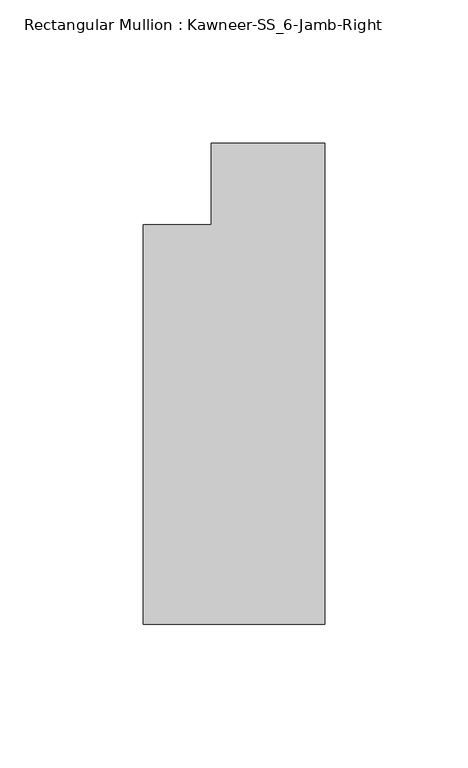
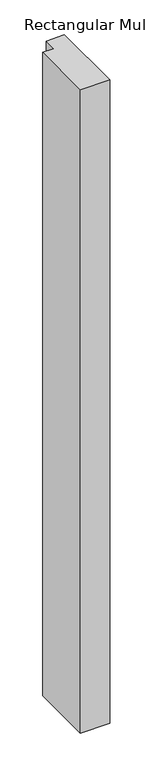
"""IFC4 building model written with IfcOpenShell, lengths in millimetres: member geometry, Rectangular Mullion : Kawneer-SS_6-Jamb-Right."""

import ifcopenshell
import ifcopenshell.guid

model = None  # the IFC model being written
_history = None  # IfcOwnerHistory: only IFC2X3 demands one
_inside = {}  # id of a spatial element -> (the spatial element, [elements in it])
_under = {}  # id of a project, library or spatial element -> (it, [spatial elements below it])
_declared = {}  # id of a project -> (the project, [libraries it declares])
_typed = {}  # id of a type object -> (the type object, [elements of that type])
_made_of = {}  # id of a material, layer set ... -> (it, [elements and type objects made of it])


def new_model(schema):
    """Start an empty IFC model of exactly this schema.

    Asked for "IFC4X3", IfcOpenShell would pick the latest addendum, in which some entities
    have other attributes; the version numbers below select the first issue.
    IFC2X3 requires an IfcOwnerHistory on every rooted entity: one is made here for all.
    """
    global model, _history
    if schema == "IFC4X3":
        model = ifcopenshell.file(schema_version=(4, 3, 0, 0))
    else:
        model = ifcopenshell.file(schema=schema)
    _inside.clear()
    _under.clear()
    _declared.clear()
    _typed.clear()
    _made_of.clear()
    _history = None
    if model.schema == "IFC2X3":
        org = make("IfcOrganization", Name="unknown")
        user = make(
            "IfcPersonAndOrganization",
            ThePerson=make("IfcPerson", FamilyName="unknown"),
            TheOrganization=org,
        )
        app = make(
            "IfcApplication",
            ApplicationDeveloper=org,
            Version="unknown",
            ApplicationFullName="unknown",
            ApplicationIdentifier="unknown",
        )
        _history = make(
            "IfcOwnerHistory",
            OwningUser=user,
            OwningApplication=app,
            ChangeAction="ADDED",
            CreationDate=0,
        )
    return model


def make(cls, **values):
    """One entity of the class cls with the attributes given. An attribute that is None is left unset."""
    return model.create_entity(
        cls, **{name: value for name, value in values.items() if value is not None}
    )


def rooted(cls, **values):
    """An entity with a GlobalId (a new one), such as an element, a storey or a relation."""
    return make(cls, GlobalId=ifcopenshell.guid.new(), OwnerHistory=_history, **values)


def si_unit(unit_type, name, prefix=None):
    """IfcSIUnit, for example si_unit("LENGTHUNIT", "METRE", prefix="MILLI")."""
    return make("IfcSIUnit", UnitType=unit_type, Prefix=prefix, Name=name)


def assignment(units):
    """IfcUnitAssignment: the units of a project."""
    return None if units is None else make("IfcUnitAssignment", Units=units)


def point(xyz):
    """IfcCartesianPoint."""
    return None if xyz is None else make("IfcCartesianPoint", Coordinates=xyz)


def direction(xyz):
    """IfcDirection."""
    return None if xyz is None else make("IfcDirection", DirectionRatios=xyz)


def frame(location, z_axis=None, x_axis=None):
    """IfcAxis2Placement3D, a coordinate frame: its origin and axes. An axis left out is left unset."""
    return make(
        "IfcAxis2Placement3D",
        Location=point(location),
        Axis=direction(z_axis),
        RefDirection=direction(x_axis),
    )


def origin():
    """The frame at (0, 0, 0) with its axes left unset."""
    return frame((0.0, 0.0, 0.0))


def place(relative_to, where):
    """IfcLocalPlacement: puts the frame where relative to a parent placement (None: the world)."""
    return make(
        "IfcLocalPlacement", PlacementRelTo=relative_to, RelativePlacement=where
    )


def context(
    kind, dimensions, precision=None, world=None, true_north=None, identifier=None
):
    """IfcGeometricRepresentationContext, for example the 3D "Model" context."""
    return make(
        "IfcGeometricRepresentationContext",
        ContextIdentifier=identifier,
        ContextType=kind,
        CoordinateSpaceDimension=dimensions,
        Precision=precision,
        WorldCoordinateSystem=world,
        TrueNorth=true_north,
    )


def project(units=None, contexts=None):
    """IfcProject with its units and contexts."""
    return rooted(
        "IfcProject",
        Name="project",
        RepresentationContexts=contexts,
        UnitsInContext=assignment(units),
    )


def spatial(cls, under=None, at=None, **own):
    """A site, building, storey or space (cls), placed at a placement, below another one or the project."""
    s = rooted(cls, ObjectPlacement=at, **own)
    if under is not None:
        _under.setdefault(under.id(), (under, []))[1].append(s)
    return s


def polyline(points):
    """IfcPolyline through the points."""
    return make("IfcPolyline", Points=[point(p) for p in points])


def outline(outer, holes=None, kind="AREA"):
    """IfcArbitraryClosedProfileDef: a profile drawn as a closed curve; with holes, ...WithVoids."""
    if holes is None:
        return make("IfcArbitraryClosedProfileDef", ProfileType=kind, OuterCurve=outer)
    return make(
        "IfcArbitraryProfileDefWithVoids",
        ProfileType=kind,
        OuterCurve=outer,
        InnerCurves=holes,
    )


def extrude(swept, where, along, depth):
    """IfcExtrudedAreaSolid: the profile swept, set in the frame where, extruded along a direction by depth."""
    return make(
        "IfcExtrudedAreaSolid",
        SweptArea=swept,
        Position=where,
        ExtrudedDirection=direction(along),
        Depth=depth,
    )


def shape(context_of_items, identifier, shape_type, items):
    """IfcShapeRepresentation: the items that make up one representation, for example the "Body"."""
    return make(
        "IfcShapeRepresentation",
        ContextOfItems=context_of_items,
        RepresentationIdentifier=identifier,
        RepresentationType=shape_type,
        Items=items,
    )


def source(mapping_origin, context_of_items, identifier, shape_type, items):
    """IfcRepresentationMap: a shape defined once, which mapped items show again and again."""
    return make(
        "IfcRepresentationMap",
        MappingOrigin=mapping_origin,
        MappedRepresentation=shape(context_of_items, identifier, shape_type, items),
    )


def transform(
    local_origin,
    x_axis=None,
    y_axis=None,
    z_axis=None,
    scale=None,
    scale2=None,
    scale3=None,
    uniform=True,
):
    """IfcCartesianTransformationOperator3D, or its non-uniform kind. x_axis, y_axis, z_axis: its Axis1, 2, 3."""
    if uniform:
        return make(
            "IfcCartesianTransformationOperator3D",
            Axis1=direction(x_axis),
            Axis2=direction(y_axis),
            LocalOrigin=point(local_origin),
            Scale=scale,
            Axis3=direction(z_axis),
        )
    return make(
        "IfcCartesianTransformationOperator3DnonUniform",
        Axis1=direction(x_axis),
        Axis2=direction(y_axis),
        LocalOrigin=point(local_origin),
        Scale=scale,
        Axis3=direction(z_axis),
        Scale2=scale2,
        Scale3=scale3,
    )


def mapped(mapping_source, mapping_target):
    """IfcMappedItem: shows the shape of a source again, moved by a transform."""
    return make(
        "IfcMappedItem", MappingSource=mapping_source, MappingTarget=mapping_target
    )


def made_of(thing, what):
    """Note that an element or type object is made of a material, layer set ...; save() writes the relation."""
    if what is not None:
        _made_of.setdefault(what.id(), (what, []))[1].append(thing)
    return thing


def element(
    cls,
    number,
    at=None,
    inside=None,
    cuts=None,
    type_object=None,
    material=None,
    context=None,
    identifier="Body",
    shape_type=None,
    held_by="IfcProductDefinitionShape",
    body=None,
    shapes=None,
    **own,
):
    """One element of the class cls, such as IfcWall. Its Tag is "e" and its number.

    at: its placement. inside: the storey or other place that contains it. cuts: it is an
    opening in that element (IfcRelVoidsElement). A single representation is given by context,
    identifier, shape_type and body (its items); several are given by shapes. held_by: the class
    of the entity that holds the representations. save() writes the other relations.
    """
    e = rooted(cls, Tag="e%d" % number, ObjectPlacement=at, **own)
    if body is not None:
        shapes = [shape(context, identifier, shape_type, body)]
    if shapes is not None:
        e.Representation = make(held_by, Representations=shapes)
    if inside is not None:
        _inside.setdefault(inside.id(), (inside, []))[1].append(e)
    if cuts is not None:
        rooted(
            "IfcRelVoidsElement", RelatingBuildingElement=cuts, RelatedOpeningElement=e
        )
    if type_object is not None:
        _typed.setdefault(type_object.id(), (type_object, []))[1].append(e)
    return made_of(e, material)


def aggregate(whole, parts):
    """IfcRelAggregates: a whole, such as a stair, and the parts it consists of."""
    return rooted("IfcRelAggregates", RelatingObject=whole, RelatedObjects=parts)


def save(model, path):
    """Write the relations noted so far, then the file.

    IfcRelAggregates (storeys below a building ...), IfcRelContainedInSpatialStructure (elements
    in a storey), IfcRelDefinesByType, IfcRelAssociatesMaterial and IfcRelDeclares: one each for
    every whole, place, type object, material and project.
    """
    for whole, parts in _under.values():
        aggregate(whole, parts)
    for where, things in _inside.values():
        rooted(
            "IfcRelContainedInSpatialStructure",
            RelatedElements=things,
            RelatingStructure=where,
        )
    for kind, things in _typed.values():
        rooted("IfcRelDefinesByType", RelatedObjects=things, RelatingType=kind)
    for what, things in _made_of.values():
        rooted("IfcRelAssociatesMaterial", RelatedObjects=things, RelatingMaterial=what)
    for by, libraries in _declared.values():
        rooted("IfcRelDeclares", RelatingContext=by, RelatedDefinitions=libraries)
    model.write(path)


def rectangular_mullion_kawneer_ss_6_jamb_right_c3f70d09(model_context):
    return source(origin(), model_context, "Body", "SweptSolid", [
        extrude(outline(polyline([(-63.5, -153.9875), (-63.5, -14.2875), (-39.6875, -14.2875), (-39.6875, 14.2875), (0.0, 14.2875), (0.0, -153.9875), (-63.5, -153.9875)])), frame((0.0, 0.0, -1460.5), z_axis=(0.0, 0.0, 1.0), x_axis=(1.0, 0.0, 0.0)), (0.0, 0.0, 1.0), 1460.5),
    ])


if __name__ == "__main__":
    model = new_model("IFC4")
    model_context = context("Model", 3, world=origin())
    ifc_project = project(units=[si_unit("LENGTHUNIT", "METRE", prefix="MILLI")], contexts=[model_context])
    site = spatial("IfcSite", under=ifc_project)
    building = spatial("IfcBuilding", under=site)
    placement = place(None, origin())
    rectangular_mullion_kawneer_ss_6_jamb_right_shape = rectangular_mullion_kawneer_ss_6_jamb_right_c3f70d09(model_context)
    element("IfcMember", 1, ObjectType="Rectangular Mullion : Kawneer-SS_6-Jamb-Right", at=placement, inside=building, context=model_context, shape_type="MappedRepresentation", body=[
        mapped(rectangular_mullion_kawneer_ss_6_jamb_right_shape, transform((0.0, 0.0, 0.0), x_axis=(1.0, 0.0, 0.0), y_axis=(0.0, 1.0, 0.0), z_axis=(0.0, 0.0, 1.0))),
    ])
    save(model, "model.ifc")
